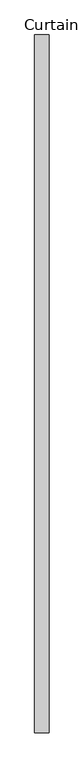
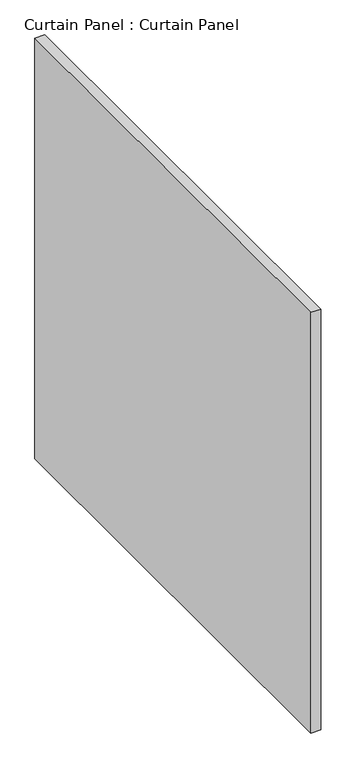
"""IFC4 building model written with IfcOpenShell, lengths in millimetres: plate geometry, Curtain Panel : Curtain Panel."""

import ifcopenshell
import ifcopenshell.guid

model = None  # the IFC model being written
_history = None  # IfcOwnerHistory: only IFC2X3 demands one
_inside = {}  # id of a spatial element -> (the spatial element, [elements in it])
_under = {}  # id of a project, library or spatial element -> (it, [spatial elements below it])
_declared = {}  # id of a project -> (the project, [libraries it declares])
_typed = {}  # id of a type object -> (the type object, [elements of that type])
_made_of = {}  # id of a material, layer set ... -> (it, [elements and type objects made of it])


def new_model(schema):
    """Start an empty IFC model of exactly this schema.

    Asked for "IFC4X3", IfcOpenShell would pick the latest addendum, in which some entities
    have other attributes; the version numbers below select the first issue.
    IFC2X3 requires an IfcOwnerHistory on every rooted entity: one is made here for all.
    """
    global model, _history
    if schema == "IFC4X3":
        model = ifcopenshell.file(schema_version=(4, 3, 0, 0))
    else:
        model = ifcopenshell.file(schema=schema)
    _inside.clear()
    _under.clear()
    _declared.clear()
    _typed.clear()
    _made_of.clear()
    _history = None
    if model.schema == "IFC2X3":
        org = make("IfcOrganization", Name="unknown")
        user = make(
            "IfcPersonAndOrganization",
            ThePerson=make("IfcPerson", FamilyName="unknown"),
            TheOrganization=org,
        )
        app = make(
            "IfcApplication",
            ApplicationDeveloper=org,
            Version="unknown",
            ApplicationFullName="unknown",
            ApplicationIdentifier="unknown",
        )
        _history = make(
            "IfcOwnerHistory",
            OwningUser=user,
            OwningApplication=app,
            ChangeAction="ADDED",
            CreationDate=0,
        )
    return model


def make(cls, **values):
    """One entity of the class cls with the attributes given. An attribute that is None is left unset."""
    return model.create_entity(
        cls, **{name: value for name, value in values.items() if value is not None}
    )


def rooted(cls, **values):
    """An entity with a GlobalId (a new one), such as an element, a storey or a relation."""
    return make(cls, GlobalId=ifcopenshell.guid.new(), OwnerHistory=_history, **values)


def si_unit(unit_type, name, prefix=None):
    """IfcSIUnit, for example si_unit("LENGTHUNIT", "METRE", prefix="MILLI")."""
    return make("IfcSIUnit", UnitType=unit_type, Prefix=prefix, Name=name)


def assignment(units):
    """IfcUnitAssignment: the units of a project."""
    return None if units is None else make("IfcUnitAssignment", Units=units)


def point(xyz):
    """IfcCartesianPoint."""
    return None if xyz is None else make("IfcCartesianPoint", Coordinates=xyz)


def direction(xyz):
    """IfcDirection."""
    return None if xyz is None else make("IfcDirection", DirectionRatios=xyz)


def frame(location, z_axis=None, x_axis=None):
    """IfcAxis2Placement3D, a coordinate frame: its origin and axes. An axis left out is left unset."""
    return make(
        "IfcAxis2Placement3D",
        Location=point(location),
        Axis=direction(z_axis),
        RefDirection=direction(x_axis),
    )


def origin():
    """The frame at (0, 0, 0) with its axes left unset."""
    return frame((0.0, 0.0, 0.0))


def place(relative_to, where):
    """IfcLocalPlacement: puts the frame where relative to a parent placement (None: the world)."""
    return make(
        "IfcLocalPlacement", PlacementRelTo=relative_to, RelativePlacement=where
    )


def context(
    kind, dimensions, precision=None, world=None, true_north=None, identifier=None
):
    """IfcGeometricRepresentationContext, for example the 3D "Model" context."""
    return make(
        "IfcGeometricRepresentationContext",
        ContextIdentifier=identifier,
        ContextType=kind,
        CoordinateSpaceDimension=dimensions,
        Precision=precision,
        WorldCoordinateSystem=world,
        TrueNorth=true_north,
    )


def project(units=None, contexts=None):
    """IfcProject with its units and contexts."""
    return rooted(
        "IfcProject",
        Name="project",
        RepresentationContexts=contexts,
        UnitsInContext=assignment(units),
    )


def spatial(cls, under=None, at=None, **own):
    """A site, building, storey or space (cls), placed at a placement, below another one or the project."""
    s = rooted(cls, ObjectPlacement=at, **own)
    if under is not None:
        _under.setdefault(under.id(), (under, []))[1].append(s)
    return s


def polyline(points):
    """IfcPolyline through the points."""
    return make("IfcPolyline", Points=[point(p) for p in points])


def outline(outer, holes=None, kind="AREA"):
    """IfcArbitraryClosedProfileDef: a profile drawn as a closed curve; with holes, ...WithVoids."""
    if holes is None:
        return make("IfcArbitraryClosedProfileDef", ProfileType=kind, OuterCurve=outer)
    return make(
        "IfcArbitraryProfileDefWithVoids",
        ProfileType=kind,
        OuterCurve=outer,
        InnerCurves=holes,
    )


def extrude(swept, where, along, depth):
    """IfcExtrudedAreaSolid: the profile swept, set in the frame where, extruded along a direction by depth."""
    return make(
        "IfcExtrudedAreaSolid",
        SweptArea=swept,
        Position=where,
        ExtrudedDirection=direction(along),
        Depth=depth,
    )


def shape(context_of_items, identifier, shape_type, items):
    """IfcShapeRepresentation: the items that make up one representation, for example the "Body"."""
    return make(
        "IfcShapeRepresentation",
        ContextOfItems=context_of_items,
        RepresentationIdentifier=identifier,
        RepresentationType=shape_type,
        Items=items,
    )


def source(mapping_origin, context_of_items, identifier, shape_type, items):
    """IfcRepresentationMap: a shape defined once, which mapped items show again and again."""
    return make(
        "IfcRepresentationMap",
        MappingOrigin=mapping_origin,
        MappedRepresentation=shape(context_of_items, identifier, shape_type, items),
    )


def transform(
    local_origin,
    x_axis=None,
    y_axis=None,
    z_axis=None,
    scale=None,
    scale2=None,
    scale3=None,
    uniform=True,
):
    """IfcCartesianTransformationOperator3D, or its non-uniform kind. x_axis, y_axis, z_axis: its Axis1, 2, 3."""
    if uniform:
        return make(
            "IfcCartesianTransformationOperator3D",
            Axis1=direction(x_axis),
            Axis2=direction(y_axis),
            LocalOrigin=point(local_origin),
            Scale=scale,
            Axis3=direction(z_axis),
        )
    return make(
        "IfcCartesianTransformationOperator3DnonUniform",
        Axis1=direction(x_axis),
        Axis2=direction(y_axis),
        LocalOrigin=point(local_origin),
        Scale=scale,
        Axis3=direction(z_axis),
        Scale2=scale2,
        Scale3=scale3,
    )


def mapped(mapping_source, mapping_target):
    """IfcMappedItem: shows the shape of a source again, moved by a transform."""
    return make(
        "IfcMappedItem", MappingSource=mapping_source, MappingTarget=mapping_target
    )


def made_of(thing, what):
    """Note that an element or type object is made of a material, layer set ...; save() writes the relation."""
    if what is not None:
        _made_of.setdefault(what.id(), (what, []))[1].append(thing)
    return thing


def element(
    cls,
    number,
    at=None,
    inside=None,
    cuts=None,
    type_object=None,
    material=None,
    context=None,
    identifier="Body",
    shape_type=None,
    held_by="IfcProductDefinitionShape",
    body=None,
    shapes=None,
    **own,
):
    """One element of the class cls, such as IfcWall. Its Tag is "e" and its number.

    at: its placement. inside: the storey or other place that contains it. cuts: it is an
    opening in that element (IfcRelVoidsElement). A single representation is given by context,
    identifier, shape_type and body (its items); several are given by shapes. held_by: the class
    of the entity that holds the representations. save() writes the other relations.
    """
    e = rooted(cls, Tag="e%d" % number, ObjectPlacement=at, **own)
    if body is not None:
        shapes = [shape(context, identifier, shape_type, body)]
    if shapes is not None:
        e.Representation = make(held_by, Representations=shapes)
    if inside is not None:
        _inside.setdefault(inside.id(), (inside, []))[1].append(e)
    if cuts is not None:
        rooted(
            "IfcRelVoidsElement", RelatingBuildingElement=cuts, RelatedOpeningElement=e
        )
    if type_object is not None:
        _typed.setdefault(type_object.id(), (type_object, []))[1].append(e)
    return made_of(e, material)


def aggregate(whole, parts):
    """IfcRelAggregates: a whole, such as a stair, and the parts it consists of."""
    return rooted("IfcRelAggregates", RelatingObject=whole, RelatedObjects=parts)


def save(model, path):
    """Write the relations noted so far, then the file.

    IfcRelAggregates (storeys below a building ...), IfcRelContainedInSpatialStructure (elements
    in a storey), IfcRelDefinesByType, IfcRelAssociatesMaterial and IfcRelDeclares: one each for
    every whole, place, type object, material and project.
    """
    for whole, parts in _under.values():
        aggregate(whole, parts)
    for where, things in _inside.values():
        rooted(
            "IfcRelContainedInSpatialStructure",
            RelatedElements=things,
            RelatingStructure=where,
        )
    for kind, things in _typed.values():
        rooted("IfcRelDefinesByType", RelatedObjects=things, RelatingType=kind)
    for what, things in _made_of.values():
        rooted("IfcRelAssociatesMaterial", RelatedObjects=things, RelatingMaterial=what)
    for by, libraries in _declared.values():
        rooted("IfcRelDeclares", RelatingContext=by, RelatedDefinitions=libraries)
    model.write(path)


def curtain_panel_curtain_panel_367583de(model_context):
    return source(origin(), model_context, "Body", "SweptSolid", [
        extrude(outline(polyline([(-411398.1205803, 4775.7609739), (-411398.1205803, 3534.119539), (-411423.5205803, 3534.119539), (-411423.5205803, 4775.7609739), (-411398.1205803, 4775.7609739)])), frame((0.0, 0.0, 1250.95), z_axis=(0.0, 0.0, 1.0), x_axis=(1.0, 0.0, 0.0)), (0.0, 0.0, 1.0), 1155.7),
    ])


if __name__ == "__main__":
    model = new_model("IFC4")
    model_context = context("Model", 3, world=origin())
    ifc_project = project(units=[si_unit("LENGTHUNIT", "METRE", prefix="MILLI")], contexts=[model_context])
    site = spatial("IfcSite", under=ifc_project)
    building = spatial("IfcBuilding", under=site)
    placement = place(None, origin())
    curtain_panel_curtain_panel_shape = curtain_panel_curtain_panel_367583de(model_context)
    element("IfcPlate", 1, ObjectType="Curtain Panel : Curtain Panel", at=placement, inside=building, context=model_context, shape_type="MappedRepresentation", body=[
        mapped(curtain_panel_curtain_panel_shape, transform((0.0, 0.0, 0.0), x_axis=(1.0, 0.0, 0.0), y_axis=(0.0, 1.0, 0.0), z_axis=(0.0, 0.0, 1.0))),
    ])
    save(model, "model.ifc")
